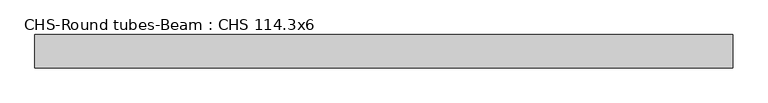
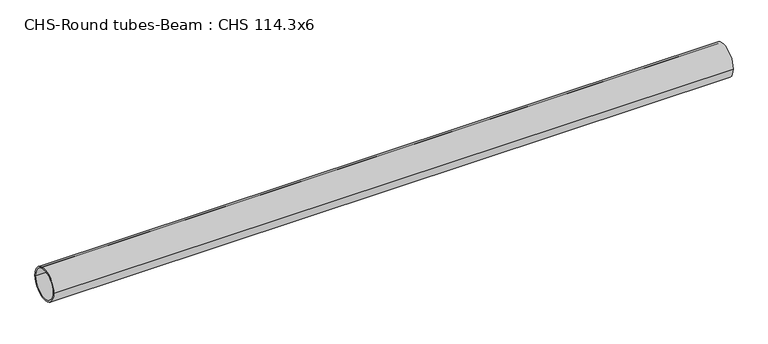
"""IFC4 building model written with IfcOpenShell, lengths in millimetres: beam geometry, CHS-Round tubes-Beam : CHS 114.3x6."""

from ifc_helpers import new_model, si_unit, point, frame, origin, origin_2d, place, context, project, spatial, circle_curve, trimmed, segment, composite_curve, outline, extrude, source, transform, mapped, element, save


def chs_round_tubes_beam_chs_114_3x6_a8d87c8c(model_context):
    return source(origin(), model_context, "Body", "SweptSolid", [
        extrude(outline(composite_curve([segment(trimmed(circle_curve(origin_2d(), 57.15), [point((57.15, 0.0))], [point((-57.15, 0.0))], False, "CARTESIAN"), True, "CONTINUOUS"), segment(trimmed(circle_curve(origin_2d(), 57.15), [point((-57.15, 0.0))], [point((57.15, 0.0))], False, "CARTESIAN"), True, "CONTINUOUS")], self_intersect=False), holes=[composite_curve([segment(trimmed(circle_curve(origin_2d(), 51.15), [point((51.15, 0.0))], [point((-51.15, 0.0))], True, "CARTESIAN"), True, "CONTINUOUS"), segment(trimmed(circle_curve(origin_2d(), 51.15), [point((-51.15, 0.0))], [point((51.15, 0.0))], True, "CARTESIAN"), True, "CONTINUOUS")], self_intersect=False)]), frame((-1127.1470382, 0.0, 0.0), z_axis=(1.0, 0.0, 0.0), x_axis=(0.0, 1.0, 0.0)), (0.0, 0.0, 1.0), 2382.6093239),
    ])


if __name__ == "__main__":
    model = new_model("IFC4")
    model_context = context("Model", 3, world=origin())
    ifc_project = project(units=[si_unit("LENGTHUNIT", "METRE", prefix="MILLI")], contexts=[model_context])
    site = spatial("IfcSite", under=ifc_project)
    building = spatial("IfcBuilding", under=site)
    placement = place(None, origin())
    chs_round_tubes_beam_chs_114_3x6_shape = chs_round_tubes_beam_chs_114_3x6_a8d87c8c(model_context)
    element("IfcBeam", 1, ObjectType="CHS-Round tubes-Beam : CHS 114.3x6", at=placement, inside=building, context=model_context, shape_type="MappedRepresentation", body=[
        mapped(chs_round_tubes_beam_chs_114_3x6_shape, transform((0.0, 0.0, 0.0), x_axis=(1.0, 0.0, 0.0), y_axis=(0.0, 1.0, 0.0), z_axis=(0.0, 0.0, 1.0))),
    ])
    save(model, "model.ifc")
